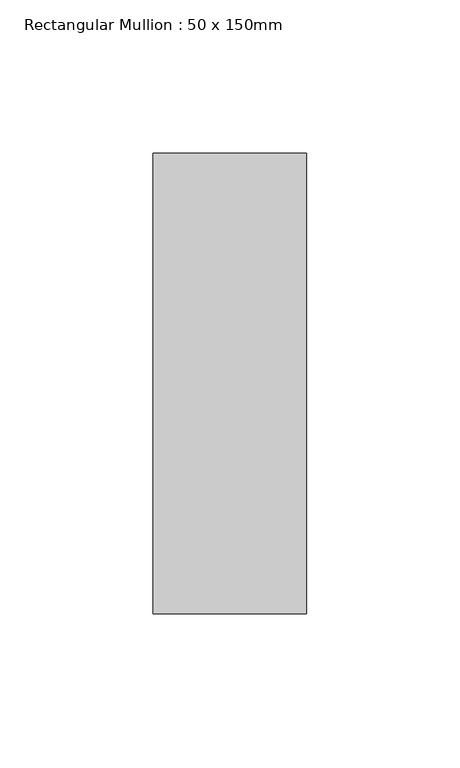
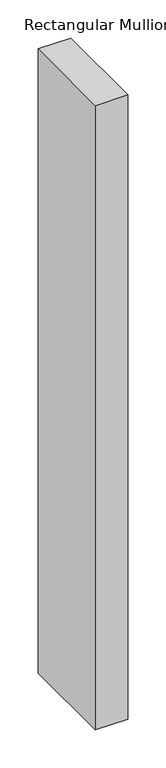
"""IFC4 building model written with IfcOpenShell, lengths in millimetres: member geometry, Rectangular Mullion : 50 x 150mm."""

from ifc_helpers import new_model, si_unit, frame, origin, place, context, project, spatial, polyline, outline, extrude, source, transform, mapped, element, save


def rectangular_mullion_50_x_150mm_2c5156be(model_context):
    return source(origin(), model_context, "Body", "SweptSolid", [
        extrude(outline(polyline([(0.0, 75.0), (0.0, -75.0), (-50.0, -75.0), (-50.0, 75.0), (0.0, 75.0)])), frame((0.0, 0.0, -1003.0), z_axis=(0.0, 0.0, 1.0), x_axis=(1.0, 0.0, 0.0)), (0.0, 0.0, 1.0), 1003.0),
    ])


if __name__ == "__main__":
    model = new_model("IFC4")
    model_context = context("Model", 3, world=origin())
    ifc_project = project(units=[si_unit("LENGTHUNIT", "METRE", prefix="MILLI")], contexts=[model_context])
    site = spatial("IfcSite", under=ifc_project)
    building = spatial("IfcBuilding", under=site)
    placement = place(None, origin())
    rectangular_mullion_50_x_150mm_shape = rectangular_mullion_50_x_150mm_2c5156be(model_context)
    element("IfcMember", 1, ObjectType="Rectangular Mullion : 50 x 150mm", at=placement, inside=building, context=model_context, shape_type="MappedRepresentation", body=[
        mapped(rectangular_mullion_50_x_150mm_shape, transform((0.0, 0.0, 0.0), x_axis=(1.0, 0.0, 0.0), y_axis=(0.0, 1.0, 0.0), z_axis=(0.0, 0.0, 1.0))),
    ])
    save(model, "model.ifc")
